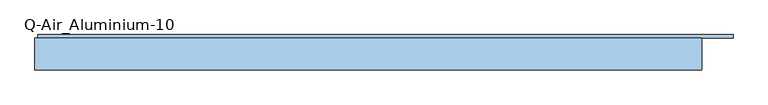
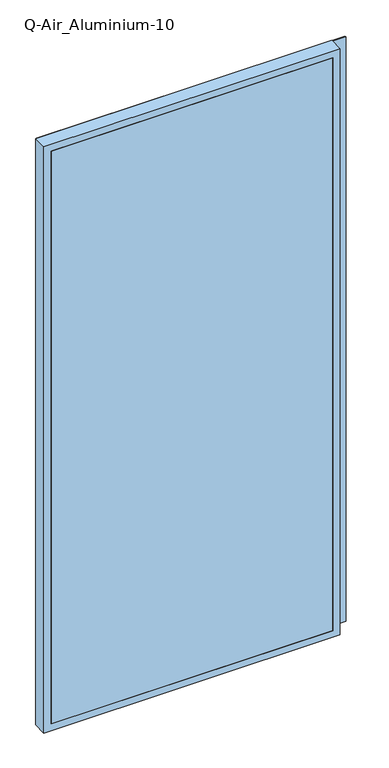
"""IFC4 building model written with IfcOpenShell, lengths in millimetres: window geometry, Q-Air_Aluminium-10."""

from ifc_helpers import new_model, si_unit, frame, origin, place, context, project, spatial, polyline, outline, extrude, source, transform, mapped, element, save


def q_air_aluminium_10_d75e328f(model_context):
    return source(origin(), model_context, "Body", "SweptSolid", [
        extrude(outline(polyline([(5020.0, 1200.0000002), (5020.0, -1200.0000002), (0.0, -1200.0000002), (0.0, 1200.0000002), (5020.0, 1200.0000002)]), holes=[polyline([(4962.0, 1142.0000002), (58.0, 1142.0000002), (58.0, -1142.0000002), (4962.0, -1142.0000002), (4962.0, 1142.0000002)])]), frame((0.0, 0.0, 0.0), z_axis=(0.0, 1.0, 0.0), x_axis=(0.0, 0.0, 1.0)), (0.0, 0.0, 1.0), 114.5),
        extrude(outline(polyline([(1142.0000002, 0.0), (-1142.0000002, 0.0), (-1142.0000002, 12.5), (1142.0000002, 12.5), (1142.0000002, 0.0)])), frame((0.0, 0.0, 58.0), z_axis=(0.0, 0.0, 1.0), x_axis=(1.0, 0.0, 0.0)), (0.0, 0.0, 1.0), 4904.0),
        extrude(outline(polyline([(1312.4000002, 114.5), (-1190.0000002, 114.5), (-1190.0000002, 127.0), (1312.4000002, 127.0), (1312.4000002, 114.5)])), frame((0.0, 0.0, 10.0), z_axis=(0.0, 0.0, 1.0), x_axis=(1.0, 0.0, 0.0)), (0.0, 0.0, 1.0), 5000.0),
        extrude(outline(polyline([(5010.0, 1312.4000002), (5010.0, -1190.0000002), (10.0, -1190.0000002), (10.0, 1312.4000002), (5010.0, 1312.4000002)]), holes=[polyline([(4962.0, 1142.0000002), (58.0, 1142.0000002), (58.0, -1142.0000002), (4962.0, -1142.0000002), (4962.0, 1142.0000002)])]), frame((0.0, 114.5, 0.0), z_axis=(0.0, 1.0, 0.0), x_axis=(0.0, 0.0, 1.0)), (0.0, 0.0, 1.0), 4.0),
    ])


if __name__ == "__main__":
    model = new_model("IFC4")
    model_context = context("Model", 3, world=origin())
    ifc_project = project(units=[si_unit("LENGTHUNIT", "METRE", prefix="MILLI")], contexts=[model_context])
    site = spatial("IfcSite", under=ifc_project)
    building = spatial("IfcBuilding", under=site)
    placement = place(None, origin())
    q_air_aluminium_10_shape = q_air_aluminium_10_d75e328f(model_context)
    element("IfcWindow", 1, ObjectType="Q-Air_Aluminium-10", at=placement, inside=building, context=model_context, shape_type="MappedRepresentation", body=[
        mapped(q_air_aluminium_10_shape, transform((0.0, 0.0, 0.0), x_axis=(1.0, 0.0, 0.0), y_axis=(0.0, 1.0, 0.0), z_axis=(0.0, 0.0, 1.0))),
    ])
    save(model, "model.ifc")
